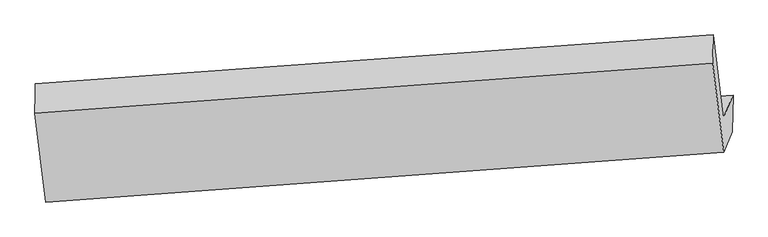
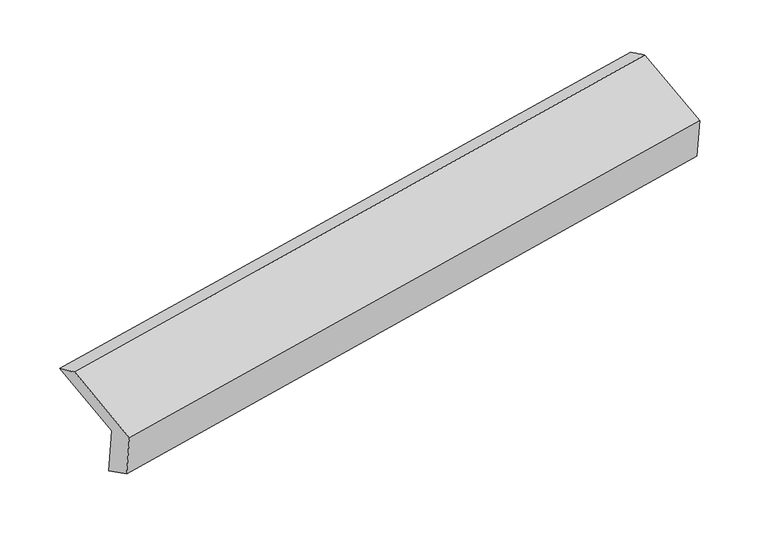
"""IFC4 building model written with IfcOpenShell, lengths in millimetres: proxy geometry."""

from ifc_helpers import new_model, si_unit, frame, origin, place, context, project, spatial, source, transform, mapped, element, save
from ifc_brep_helpers import plane_surface, spline_surface, advanced_brep


def generic_models_20f2852b(model_context):
    return source(origin(), model_context, "Body", "AdvancedBrep", [
        advanced_brep(
        [(-5202.0616833, -1808.3032231, 1566.6624724), (-5274.8052221, -1225.8566399, 1758.9659987), (-585.6311464, -889.4215517, 2545.8904619), (-514.0653163, -1462.4383983, 2356.7003054), (-5135.1223811, -1649.9720291, 1112.4323142), (-447.6023078, -1305.2337795, 1905.7021342), (-5140.818305, -1904.6866165, 1247.423257), (-453.5832674, -1560.6225605, 2042.6272445), (-5200.3011814, -2045.3811642, 1651.0563317), (-512.3048144, -1699.5163394, 2441.0941647), (-5276.9659521, -1431.5378664, 1853.725957), (-588.9695851, -1085.6730417, 2643.76379)],
        [
            (0, 1),
            (1, 2),
            (2, 3),
            (3, 0),
            (4, 0),
            (3, 5),
            (5, 4),
            (6, 4),
            (5, 7),
            (7, 6),
            (8, 6),
            (7, 9),
            (9, 8),
            (10, 8),
            (9, 11),
            (11, 10),
            (1, 10),
            (11, 2),
        ],
        [
            plane_surface(frame((-5238.4334527, -1517.0799315, 1662.8142356), z_axis=(0.1337014462186044, 0.32572119720386683, -0.9359645425822144), x_axis=(-0.11777086936389572, 0.9429736523282797, 0.31133697715487824))),
            plane_surface(frame((-5168.5920322, -1729.1376261, 1339.5473933), z_axis=(-0.12189614751550326, 0.9426832405534282, 0.3106278113765189), x_axis=(-0.13782897431019703, -0.3260061780685615, 0.9352663501386802))),
            spline_surface(1, 1, [[(-5140.818305, -1904.6866165, 1247.423257), (-453.5832674, -1560.6225605, 2042.6272445)], [(-5135.1223811, -1649.9720291, 1112.4323142), (-447.6023078, -1305.2337795, 1905.7021342)]], [2, 2], [2, 2], [0.0, 1.0], [0.0, 1.0]),
            plane_surface(frame((-5170.5597432, -1975.0338904, 1449.2397944), z_axis=(0.12189614751550347, -0.9426832405534281, -0.31062781137651885), x_axis=(0.13782897431019708, 0.3260061780685616, -0.9352663501386802))),
            plane_surface(frame((-5238.6335667, -1738.4595153, 1752.3911444), z_axis=(-0.13370144621860575, -0.3257211972038585, 0.935964542582217), x_axis=(0.11777086936389546, -0.9429736523282825, -0.31133697715486985))),
            spline_surface(1, 1, [[(-5274.8052221, -1225.8566399, 1758.9659987), (-585.6311464, -889.4215517, 2545.8904619)], [(-5276.9659521, -1431.5378664, 1853.725957), (-588.9695851, -1085.6730417, 2643.76379)]], [2, 2], [2, 2], [0.0, 1.0], [0.0, 1.0]),
            plane_surface(frame((-517.0260729, -1333.8176118, 2322.6296834), z_axis=(0.9834293041036911, 0.06723587491654107, 0.16836312231108433), x_axis=(0.13782897431019708, 0.3260061780685616, -0.9352663501386802))),
            plane_surface(frame((-5205.0124542, -1677.6229232, 1531.7110552), z_axis=(-0.9834293041036947, -0.06723587491651115, -0.1683631223110752), x_axis=(0.11777086936386987, -0.9429736523282819, -0.3113369771548809))),
        ],
        [
            (0, [[1, 2, 3, 4]]),
            (1, [[5, -4, 6, 7]]),
            (2, [[8, -7, 9, 10]]),
            (3, [[11, -10, 12, 13]]),
            (4, [[14, -13, 15, 16]]),
            (5, [[17, -16, 18, -2]]),
            (6, [[-12, -9, -6, -3, -18, -15]]),
            (7, [[-1, -5, -8, -11, -14, -17]]),
        ],
    ),
    ])


if __name__ == "__main__":
    model = new_model("IFC4")
    model_context = context("Model", 3, world=origin())
    ifc_project = project(units=[si_unit("LENGTHUNIT", "METRE", prefix="MILLI")], contexts=[model_context])
    site = spatial("IfcSite", under=ifc_project)
    building = spatial("IfcBuilding", under=site)
    placement = place(None, origin())
    generic_models_shape = generic_models_20f2852b(model_context)
    element("IfcBuildingElementProxy", 1, Name="Generic Models", at=placement, inside=building, context=model_context, shape_type="MappedRepresentation", body=[
        mapped(generic_models_shape, transform((0.0, 0.0, 0.0), x_axis=(1.0, 0.0, 0.0), y_axis=(0.0, 1.0, 0.0), z_axis=(0.0, 0.0, 1.0))),
    ])
    save(model, "model.ifc")
